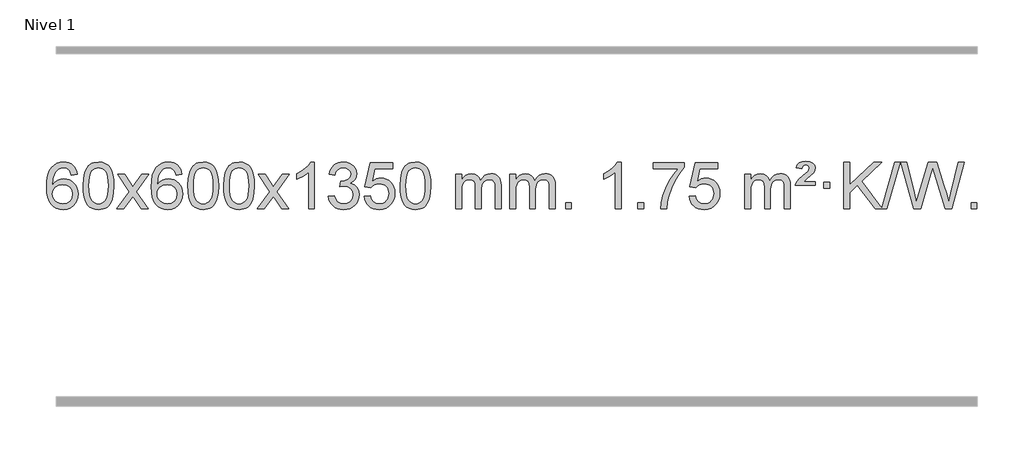
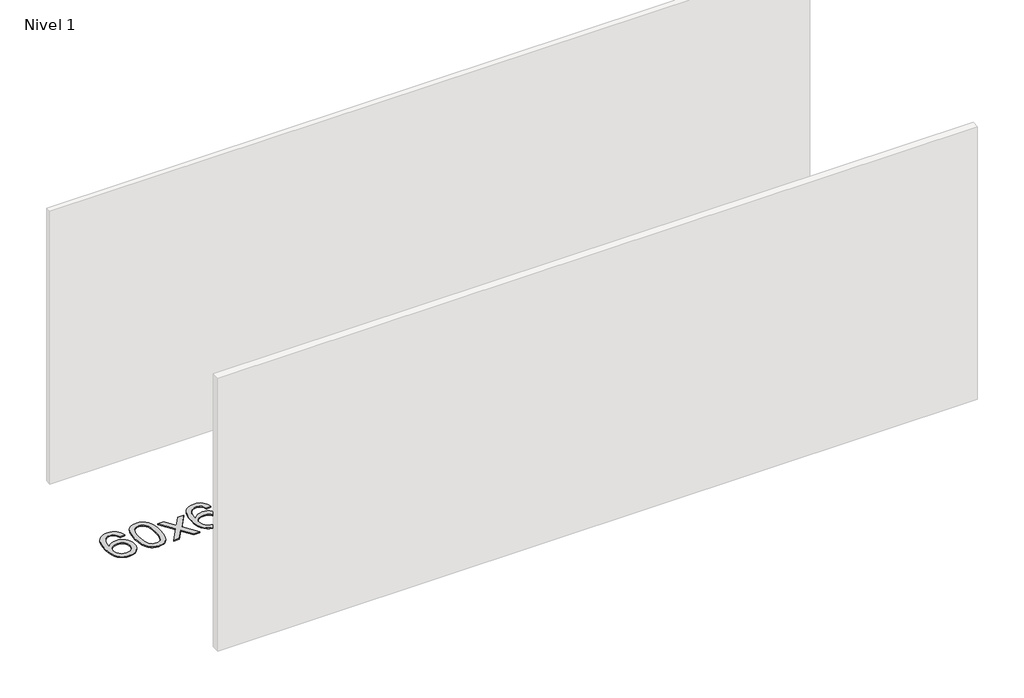
# One storey, part 8 of 10: 1 proxy.
"""IFC4 building model written with IfcOpenShell, lengths in millimetres."""

from ifc_helpers import new_model, si_unit, origin, origin_with_axes, place, context, project, spatial, polyline, outline, extrude, element, save

model = new_model("IFC4")

# Units and contexts
model_context = context("Model", 3, world=origin())
ifc_project = project(units=[si_unit("LENGTHUNIT", "METRE", prefix="MILLI")], contexts=[model_context])

# Site, building, storey
site = spatial("IfcSite", under=ifc_project)
building = spatial("IfcBuilding", under=site)
storey = spatial("IfcBuildingStorey", under=building, Name="Nivel 1", Elevation=0.0)

# Proxy
placement = place(None, origin())
element("IfcBuildingElementProxy", 1, Name="Texto de modelo 1", ObjectType="Texto de modelo 1", at=placement, inside=storey, context=model_context, shape_type="SweptSolid", body=[
    extrude(outline(polyline([(-6352.5741406, -3100.4890419), (-6402.8022957, -3106.7675613), (-6410.8956996, -3081.874213), (-6421.8340576, -3064.8780648), (-6444.6182158, -3049.2062918), (-6472.1603145, -3043.9823675), (-6495.5085585, -3047.0235253), (-6517.4833763, -3056.1469988), (-6536.3557227, -3075.3627017), (-6551.7699783, -3101.8134171), (-6562.1810387, -3139.227016), (-6566.0437997, -3191.3313693), (-6545.8961291, -3167.8237098), (-6521.7508075, -3151.2567573), (-6494.9567355, -3141.434308), (-6466.8628138, -3138.1601582), (-6442.7297549, -3140.398107), (-6420.4606315, -3147.1119534), (-6400.0554435, -3158.3016975), (-6381.5141909, -3173.9673391), (-6366.1060667, -3193.1769106), (-6355.1002637, -3214.9984443), (-6348.4967818, -3239.4319401), (-6346.2956212, -3266.4773982), (-6350.440425, -3302.4439945), (-6362.8748365, -3335.786366), (-6382.568786, -3364.0642287), (-6408.4922039, -3384.8372987), (-6439.4678679, -3397.602804), (-6474.3185556, -3401.8579724), (-6504.2610843, -3399.0375437), (-6531.3034766, -3390.5762579), (-6555.4457325, -3376.4741147), (-6576.6878521, -3356.7311143), (-6594.005897, -3330.5133908), (-6606.3759291, -3296.9870783), (-6613.7979483, -3256.1521768), (-6616.2719548, -3208.0086864), (-6613.5251025, -3154.0342663), (-6605.2845458, -3107.9693092), (-6591.5502847, -3069.8138149), (-6572.3223191, -3039.5677835), (-6551.481804, -3019.5243462), (-6527.3180883, -3005.2076052), (-6499.8311719, -2996.6175606), (-6469.0210548, -2993.7542124), (-6445.8874087, -2995.5261773), (-6424.9487918, -3000.8420722), (-6406.2052042, -3009.7018969), (-6389.6566457, -3022.1056515), (-6375.7507063, -3037.6364031), (-6364.9349757, -3055.8772186), (-6357.2094538, -3076.8280983), (-6352.5741406, -3100.4890419)]), holes=[polyline([(-6566.0437997, -3265.6925832), (-6563.1375319, -3287.9494439), (-6554.4187286, -3309.2007605), (-6540.8806712, -3327.472233), (-6523.516641, -3340.7895612), (-6502.5596301, -3348.9197533), (-6478.2426302, -3351.6298173), (-6445.0964624, -3346.0134855), (-6431.1813259, -3338.9930708), (-6419.0381544, -3329.1644901), (-6409.188114, -3316.9262824), (-6402.1523708, -3302.6769865), (-6396.5237763, -3268.1451299), (-6402.0787944, -3234.9989621), (-6409.0225671, -3221.3781312), (-6418.7438488, -3209.725469), (-6430.9238085, -3200.3904634), (-6445.2436152, -3193.7226022), (-6480.3027693, -3188.3883133), (-6513.3998862, -3193.7226022), (-6541.0768749, -3209.725469), (-6551.9999045, -3221.2248471), (-6559.8020685, -3234.3858254), (-6564.4833669, -3249.2084042), (-6566.0437997, -3265.6925832)])]), origin_with_axes(), (0.0, 0.0, 1.0), 10.0),
    extrude(outline(polyline([(-6302.3459855, -3197.9041943), (-6298.6549029, -3133.5861588), (-6287.5816548, -3082.2911459), (-6269.236606, -3043.2343407), (-6257.378543, -3028.0009605), (-6243.730121, -3015.6309284), (-6228.2453547, -3006.0598651), (-6210.8782588, -2999.2233914), (-6170.4970785, -2993.7542124), (-6139.5459399, -2996.991574), (-6111.832163, -3006.7036586), (-6088.6555973, -3022.5103217), (-6071.3160926, -3044.0314184), (-6058.2194935, -3071.0830078), (-6047.7716449, -3103.4811488), (-6040.9290398, -3144.6226186), (-6038.6481714, -3197.9041943), (-6042.3024659, -3261.8543477), (-6053.2653493, -3313.0267333), (-6071.5000336, -3352.1203266), (-6083.3305054, -3367.3996922), (-6096.9697304, -3379.8341036), (-6112.4728908, -3389.4695462), (-6129.8951689, -3396.3520052), (-6170.4970785, -3401.8579724), (-6198.1618045, -3399.4667394), (-6222.6872709, -3392.2930405), (-6244.0734775, -3380.3368757), (-6262.3204245, -3363.5982449), (-6279.8316074, -3333.3399508), (-6292.3395953, -3295.6381776), (-6299.844388, -3250.4929255), (-6302.3459855, -3197.9041943)]), holes=[polyline([(-6252.1178305, -3197.8060924), (-6250.6463025, -3241.4706195), (-6246.2317185, -3276.8148822), (-6238.8740786, -3303.8388804), (-6228.5733828, -3322.5426142), (-6216.1144459, -3335.2682656), (-6202.2820829, -3344.3580165), (-6187.0762937, -3349.8118671), (-6170.4970785, -3351.6298173), (-6153.9178632, -3349.8057357), (-6138.7120741, -3344.3334911), (-6124.8797111, -3335.2130833), (-6112.4207742, -3322.4445124), (-6102.1200783, -3303.7101217), (-6094.7624384, -3276.6922549), (-6090.3478545, -3241.3909118), (-6088.8763265, -3197.8060924), (-6090.2988035, -3155.2973278), (-6094.5662347, -3120.5753989), (-6101.6786199, -3093.6403055), (-6111.6359592, -3074.4920476), (-6123.8864297, -3061.1440625), (-6137.8782082, -3051.6097875), (-6153.6112949, -3045.8892225), (-6171.0856897, -3043.9823675), (-6187.5790658, -3045.6623619), (-6202.5273375, -3050.7023452), (-6215.9305049, -3059.1023175), (-6227.7885679, -3070.8622786), (-6238.4326203, -3091.708925), (-6246.0355148, -3119.8151094), (-6250.5972516, -3155.1808319), (-6252.1178305, -3197.8060924)])]), origin_with_axes(), (0.0, 0.0, 1.0), 10.0),
    extrude(outline(polyline([(-6013.5340939, -3395.579453), (-5906.2106531, -3247.2494325), (-6007.2555745, -3100.4890419), (-5946.8248254, -3100.4890419), (-5898.0681983, -3171.122385), (-5875.3085655, -3204.4770192), (-5855.5900906, -3177.2047007), (-5800.0644348, -3100.4890419), (-5739.6336857, -3100.4890419), (-5845.7799041, -3247.2494325), (-5743.5577603, -3395.579453), (-5803.9885094, -3395.579453), (-5865.498379, -3306.4048574), (-5876.7800935, -3290.1199477), (-5953.1033448, -3395.579453), (-6013.5340939, -3395.579453)])), origin_with_axes(), (0.0, 0.0, 1.0), 10.0),
    extrude(outline(polyline([(-5454.7458687, -3100.4890419), (-5504.9740237, -3106.7675613), (-5513.0674276, -3081.874213), (-5524.0057856, -3064.8780648), (-5546.7899439, -3049.2062918), (-5574.3320426, -3043.9823675), (-5597.6802865, -3047.0235253), (-5619.6551044, -3056.1469988), (-5638.5274507, -3075.3627017), (-5653.9417063, -3101.8134171), (-5664.3527668, -3139.227016), (-5668.2155277, -3191.3313693), (-5648.0678571, -3167.8237098), (-5623.9225355, -3151.2567573), (-5597.1284635, -3141.434308), (-5569.0345418, -3138.1601582), (-5544.9014829, -3140.398107), (-5522.6323595, -3147.1119534), (-5502.2271715, -3158.3016975), (-5483.6859189, -3173.9673391), (-5468.2777947, -3193.1769106), (-5457.2719917, -3214.9984443), (-5450.6685099, -3239.4319401), (-5448.4673493, -3266.4773982), (-5452.6121531, -3302.4439945), (-5465.0465645, -3335.786366), (-5484.740514, -3364.0642287), (-5510.6639319, -3384.8372987), (-5541.6395959, -3397.602804), (-5576.4902836, -3401.8579724), (-5606.4328123, -3399.0375437), (-5633.4752046, -3390.5762579), (-5657.6174606, -3376.4741147), (-5678.8595801, -3356.7311143), (-5696.177625, -3330.5133908), (-5708.5476571, -3296.9870783), (-5715.9696764, -3256.1521768), (-5718.4436828, -3208.0086864), (-5715.6968306, -3154.0342663), (-5707.4562739, -3107.9693092), (-5693.7220127, -3069.8138149), (-5674.4940471, -3039.5677835), (-5653.6535321, -3019.5243462), (-5629.4898164, -3005.2076052), (-5602.0029, -2996.6175606), (-5571.1927829, -2993.7542124), (-5548.0591367, -2995.5261773), (-5527.1205198, -3000.8420722), (-5508.3769322, -3009.7018969), (-5491.8283738, -3022.1056515), (-5477.9224344, -3037.6364031), (-5467.1067037, -3055.8772186), (-5459.3811818, -3076.8280983), (-5454.7458687, -3100.4890419)]), holes=[polyline([(-5668.2155277, -3265.6925832), (-5665.30926, -3287.9494439), (-5656.5904567, -3309.2007605), (-5643.0523993, -3327.472233), (-5625.6883691, -3340.7895612), (-5604.7313581, -3348.9197533), (-5580.4143582, -3351.6298173), (-5547.2681904, -3346.0134855), (-5533.353054, -3338.9930708), (-5521.2098825, -3329.1644901), (-5511.359842, -3316.9262824), (-5504.3240989, -3302.6769865), (-5498.6955043, -3268.1451299), (-5504.2505225, -3234.9989621), (-5511.1942951, -3221.3781312), (-5520.9155769, -3209.725469), (-5533.0955366, -3200.3904634), (-5547.4153432, -3193.7226022), (-5582.4744974, -3188.3883133), (-5615.5716142, -3193.7226022), (-5643.248603, -3209.725469), (-5654.1716326, -3221.2248471), (-5661.9737965, -3234.3858254), (-5666.6550949, -3249.2084042), (-5668.2155277, -3265.6925832)])]), origin_with_axes(), (0.0, 0.0, 1.0), 10.0),
    extrude(outline(polyline([(-5404.5177136, -3197.9041943), (-5400.8266309, -3133.5861588), (-5389.7533828, -3082.2911459), (-5371.408334, -3043.2343407), (-5359.550271, -3028.0009605), (-5345.901849, -3015.6309284), (-5330.4170827, -3006.0598651), (-5313.0499869, -2999.2233914), (-5272.6688065, -2993.7542124), (-5241.717668, -2996.991574), (-5214.003891, -3006.7036586), (-5190.8273253, -3022.5103217), (-5173.4878206, -3044.0314184), (-5160.3912216, -3071.0830078), (-5149.9433729, -3103.4811488), (-5143.1007678, -3144.6226186), (-5140.8198994, -3197.9041943), (-5144.4741939, -3261.8543477), (-5155.4370774, -3313.0267333), (-5173.6717616, -3352.1203266), (-5185.5022334, -3367.3996922), (-5199.1414584, -3379.8341036), (-5214.6446188, -3389.4695462), (-5232.066897, -3396.3520052), (-5272.6688065, -3401.8579724), (-5300.3335326, -3399.4667394), (-5324.8589989, -3392.2930405), (-5346.2452055, -3380.3368757), (-5364.4921525, -3363.5982449), (-5382.0033355, -3333.3399508), (-5394.5113233, -3295.6381776), (-5402.016116, -3250.4929255), (-5404.5177136, -3197.9041943)]), holes=[polyline([(-5354.2895585, -3197.8060924), (-5352.8180305, -3241.4706195), (-5348.4034466, -3276.8148822), (-5341.0458067, -3303.8388804), (-5330.7451108, -3322.5426142), (-5318.2861739, -3335.2682656), (-5304.4538109, -3344.3580165), (-5289.2480218, -3349.8118671), (-5272.6688065, -3351.6298173), (-5256.0895913, -3349.8057357), (-5240.8838021, -3344.3334911), (-5227.0514391, -3335.2130833), (-5214.5925022, -3322.4445124), (-5204.2918063, -3303.7101217), (-5196.9341664, -3276.6922549), (-5192.5195825, -3241.3909118), (-5191.0480545, -3197.8060924), (-5192.4705316, -3155.2973278), (-5196.7379627, -3120.5753989), (-5203.8503479, -3093.6403055), (-5213.8076873, -3074.4920476), (-5226.0581577, -3061.1440625), (-5240.0499363, -3051.6097875), (-5255.7830229, -3045.8892225), (-5273.2574177, -3043.9823675), (-5289.7507938, -3045.6623619), (-5304.6990656, -3050.7023452), (-5318.1022329, -3059.1023175), (-5329.9602959, -3070.8622786), (-5340.6043483, -3091.708925), (-5348.2072429, -3119.8151094), (-5352.7689796, -3155.1808319), (-5354.2895585, -3197.8060924)])]), origin_with_axes(), (0.0, 0.0, 1.0), 10.0),
    extrude(outline(polyline([(-5096.8702638, -3197.9041943), (-5093.1791811, -3133.5861588), (-5082.105933, -3082.2911459), (-5063.7608842, -3043.2343407), (-5051.9028212, -3028.0009605), (-5038.2543992, -3015.6309284), (-5022.7696329, -3006.0598651), (-5005.402537, -2999.2233914), (-4965.0213567, -2993.7542124), (-4934.0702182, -2996.991574), (-4906.3564412, -3006.7036586), (-4883.1798755, -3022.5103217), (-4865.8403708, -3044.0314184), (-4852.7437718, -3071.0830078), (-4842.2959231, -3103.4811488), (-4835.453318, -3144.6226186), (-4833.1724496, -3197.9041943), (-4836.8267441, -3261.8543477), (-4847.7896275, -3313.0267333), (-4866.0243118, -3352.1203266), (-4877.8547836, -3367.3996922), (-4891.4940086, -3379.8341036), (-4906.997169, -3389.4695462), (-4924.4194471, -3396.3520052), (-4965.0213567, -3401.8579724), (-4992.6860827, -3399.4667394), (-5017.2115491, -3392.2930405), (-5038.5977557, -3380.3368757), (-5056.8447027, -3363.5982449), (-5074.3558856, -3333.3399508), (-5086.8638735, -3295.6381776), (-5094.3686662, -3250.4929255), (-5096.8702638, -3197.9041943)]), holes=[polyline([(-5046.6421087, -3197.8060924), (-5045.1705807, -3241.4706195), (-5040.7559968, -3276.8148822), (-5033.3983568, -3303.8388804), (-5023.097661, -3322.5426142), (-5010.6387241, -3335.2682656), (-4996.8063611, -3344.3580165), (-4981.6005719, -3349.8118671), (-4965.0213567, -3351.6298173), (-4948.4421414, -3349.8057357), (-4933.2363523, -3344.3334911), (-4919.4039893, -3335.2130833), (-4906.9450524, -3322.4445124), (-4896.6443565, -3303.7101217), (-4889.2867166, -3276.6922549), (-4884.8721327, -3241.3909118), (-4883.4006047, -3197.8060924), (-4884.8230817, -3155.2973278), (-4889.0905129, -3120.5753989), (-4896.2028981, -3093.6403055), (-4906.1602375, -3074.4920476), (-4918.4107079, -3061.1440625), (-4932.4024864, -3051.6097875), (-4948.1355731, -3045.8892225), (-4965.6099679, -3043.9823675), (-4982.103344, -3045.6623619), (-4997.0516157, -3050.7023452), (-5010.4547831, -3059.1023175), (-5022.3128461, -3070.8622786), (-5032.9568985, -3091.708925), (-5040.559793, -3119.8151094), (-5045.1215298, -3155.1808319), (-5046.6421087, -3197.8060924)])]), origin_with_axes(), (0.0, 0.0, 1.0), 10.0),
    extrude(outline(polyline([(-4808.0583721, -3395.579453), (-4700.7349313, -3247.2494325), (-4801.7798527, -3100.4890419), (-4741.3491036, -3100.4890419), (-4692.5924765, -3171.122385), (-4669.8328437, -3204.4770192), (-4650.1143688, -3177.2047007), (-4594.588713, -3100.4890419), (-4534.1579639, -3100.4890419), (-4640.3041823, -3247.2494325), (-4538.0820385, -3395.579453), (-4598.5127876, -3395.579453), (-4660.0226572, -3306.4048574), (-4671.3043717, -3290.1199477), (-4747.627623, -3395.579453), (-4808.0583721, -3395.579453)])), origin_with_axes(), (0.0, 0.0, 1.0), 10.0),
    extrude(outline(polyline([(-4318.3338601, -3395.579453), (-4368.5620152, -3395.579453), (-4368.5620152, -3082.4382987), (-4389.5312889, -3099.3976587), (-4416.1414199, -3116.3324932), (-4469.0183253, -3141.6918254), (-4469.0183253, -3094.2105225), (-4429.5691127, -3072.7507395), (-4395.3928753, -3047.219729), (-4368.4516506, -3020.0700378), (-4350.7074757, -2993.7542124), (-4318.3338601, -2993.7542124), (-4318.3338601, -3395.579453)])), origin_with_axes(), (0.0, 0.0, 1.0), 10.0),
    extrude(outline(polyline([(-4199.0419918, -3288.8446235), (-4148.8138367, -3282.5661041), (-4137.5689104, -3314.1303793), (-4121.1000597, -3335.4430095), (-4098.5979444, -3347.5831154), (-4069.2532239, -3351.6298173), (-4034.8194691, -3346.0625364), (-4020.5456477, -3339.1034354), (-4008.2338636, -3329.3606939), (-3991.2377154, -3304.4428201), (-3985.5723327, -3274.2274455), (-3991.1886645, -3245.5449126), (-4008.0376599, -3222.2825078), (-4033.5441449, -3206.8682522), (-4065.1329455, -3201.730167), (-4100.3515152, -3207.2238715), (-4094.7597089, -3156.9957164), (-4086.7153559, -3157.5843276), (-4056.6226087, -3153.979084), (-4029.7181721, -3143.1633534), (-4018.6449241, -3134.9841103), (-4010.7354612, -3124.8673555), (-4005.9897835, -3112.8130888), (-4004.4078909, -3098.8213102), (-4008.9941531, -3077.1285352), (-4022.7529397, -3059.5315131), (-4043.7467389, -3047.8696539), (-4070.0380388, -3043.9823675), (-4096.3783897, -3047.9064421), (-4117.9117491, -3059.6786659), (-4133.632573, -3079.299039), (-4142.5353173, -3106.7675613), (-4192.7634724, -3100.4890419), (-4186.8099154, -3076.5092672), (-4177.9746162, -3055.3867093), (-4166.2575747, -3037.1213683), (-4151.6587908, -3021.713244), (-4134.6381172, -3009.4811677), (-4115.6554062, -3000.7439703), (-4094.710658, -2995.5016519), (-4071.8038724, -2993.7542124), (-4040.2273345, -2997.2000404), (-4011.2259705, -3007.5375245), (-3986.7740806, -3023.8469596), (-3968.8459647, -3045.2086408), (-3957.846293, -3069.8199463), (-3954.1797358, -3095.8782543), (-3957.662352, -3120.1584659), (-3968.1102007, -3142.1823347), (-3985.376129, -3160.9443165), (-4009.3129841, -3175.4388671), (-3977.8713363, -3188.1430586), (-3954.5721433, -3209.77452), (-3940.151169, -3239.1560286), (-3935.3441776, -3275.1103623), (-3937.7476733, -3300.5923218), (-3944.9581605, -3324.0631931), (-3956.975639, -3345.5229762), (-3973.8001089, -3364.971671), (-3994.2972674, -3381.1094278), (-4017.3328116, -3392.636397), (-4042.9067417, -3399.5525785), (-4071.0190575, -3401.8579724), (-4096.4274406, -3399.8898037), (-4119.5794808, -3393.9852977), (-4140.4751782, -3384.1444543), (-4159.1145326, -3370.3672736), (-4174.743386, -3353.4630959), (-4186.6075804, -3334.2412617), (-4194.7071156, -3312.7017708), (-4199.0419918, -3288.8446235)])), origin_with_axes(), (0.0, 0.0, 1.0), 10.0),
    extrude(outline(polyline([(-3891.394542, -3288.8446235), (-3841.1663869, -3282.5661041), (-3831.9448115, -3312.7201649), (-3815.8561056, -3334.3148381), (-3792.9738455, -3347.3010725), (-3763.3716076, -3351.6298173), (-3744.2417439, -3350.1245668), (-3727.368223, -3345.6088153), (-3712.7510451, -3338.0825628), (-3700.3902101, -3327.5458094), (-3690.5616294, -3314.519721), (-3683.5412147, -3299.5254641), (-3677.9248829, -3263.6324441), (-3683.1855954, -3229.8363514), (-3689.7614861, -3215.9181493), (-3698.967733, -3203.9865099), (-3710.834993, -3194.4154467), (-3725.393923, -3187.5789729), (-3762.5867927, -3182.1097939), (-3786.9528435, -3184.2925604), (-3806.6835812, -3190.8408599), (-3822.4411933, -3200.8717757), (-3834.8878675, -3213.5023908), (-3885.1160226, -3207.2238715), (-3841.1663869, -3000.0327318), (-3646.532286, -3000.0327318), (-3646.532286, -3050.2608869), (-3800.5522146, -3050.2608869), (-3822.0365231, -3160.919791), (-3804.3107423, -3148.2155994), (-3786.1557659, -3139.1411769), (-3767.5715937, -3133.6965234), (-3748.558226, -3131.8816388), (-3724.097139, -3134.1318504), (-3701.6287461, -3140.882485), (-3681.1530474, -3152.1335427), (-3662.6700428, -3167.8850234), (-3647.3692175, -3187.1743027), (-3636.4400566, -3209.038756), (-3629.88256, -3233.4783832), (-3627.6967278, -3260.4931844), (-3629.6648965, -3286.5147042), (-3635.5694025, -3310.7213394), (-3645.4102459, -3333.1130902), (-3659.1874266, -3353.6899565), (-3680.0585985, -3374.7634634), (-3704.4123865, -3389.8159684), (-3732.2487908, -3398.8474714), (-3763.5678114, -3401.8579724), (-3789.4881636, -3399.9235262), (-3812.9007869, -3394.1201877), (-3833.8056813, -3384.447957), (-3852.2028467, -3370.9068338), (-3867.5098034, -3354.1712688), (-3879.1440715, -3334.915712), (-3887.105651, -3313.1401636), (-3891.394542, -3288.8446235)])), origin_with_axes(), (0.0, 0.0, 1.0), 10.0),
    extrude(outline(polyline([(-3583.7470921, -3197.9041943), (-3580.0560094, -3133.5861588), (-3568.9827614, -3082.2911459), (-3550.6377126, -3043.2343407), (-3538.7796496, -3028.0009605), (-3525.1312276, -3015.6309284), (-3509.6464612, -3006.0598651), (-3492.2793654, -2999.2233914), (-3451.8981851, -2993.7542124), (-3420.9470465, -2996.991574), (-3393.2332696, -3006.7036586), (-3370.0567039, -3022.5103217), (-3352.7171992, -3044.0314184), (-3339.6206001, -3071.0830078), (-3329.1727515, -3103.4811488), (-3322.3301463, -3144.6226186), (-3320.049278, -3197.9041943), (-3323.7035725, -3261.8543477), (-3334.6664559, -3313.0267333), (-3352.9011401, -3352.1203266), (-3364.731612, -3367.3996922), (-3378.3708369, -3379.8341036), (-3393.8739974, -3389.4695462), (-3411.2962755, -3396.3520052), (-3451.8981851, -3401.8579724), (-3479.5629111, -3399.4667394), (-3504.0883774, -3392.2930405), (-3525.4745841, -3380.3368757), (-3543.721531, -3363.5982449), (-3561.232714, -3333.3399508), (-3573.7407019, -3295.6381776), (-3581.2454946, -3250.4929255), (-3583.7470921, -3197.9041943)]), holes=[polyline([(-3533.518937, -3197.8060924), (-3532.0474091, -3241.4706195), (-3527.6328251, -3276.8148822), (-3520.2751852, -3303.8388804), (-3509.9744894, -3322.5426142), (-3497.5155525, -3335.2682656), (-3483.6831894, -3344.3580165), (-3468.4774003, -3349.8118671), (-3451.8981851, -3351.6298173), (-3435.3189698, -3349.8057357), (-3420.1131807, -3344.3334911), (-3406.2808176, -3335.2130833), (-3393.8218807, -3322.4445124), (-3383.5211849, -3303.7101217), (-3376.163545, -3276.6922549), (-3371.748961, -3241.3909118), (-3370.2774331, -3197.8060924), (-3371.6999101, -3155.2973278), (-3375.9673412, -3120.5753989), (-3383.0797265, -3093.6403055), (-3393.0370658, -3074.4920476), (-3405.2875363, -3061.1440625), (-3419.2793148, -3051.6097875), (-3435.0124015, -3045.8892225), (-3452.4867962, -3043.9823675), (-3468.9801724, -3045.6623619), (-3483.9284441, -3050.7023452), (-3497.3316115, -3059.1023175), (-3509.1896744, -3070.8622786), (-3519.8337268, -3091.708925), (-3527.4366214, -3119.8151094), (-3531.9983581, -3155.1808319), (-3533.518937, -3197.8060924)])]), origin_with_axes(), (0.0, 0.0, 1.0), 10.0),
    extrude(outline(polyline([(-3106.5796189, -3395.579453), (-3106.5796189, -3100.4890419), (-3056.3514638, -3100.4890419), (-3056.3514638, -3149.0494653), (-3041.2437766, -3126.7435537), (-3021.8196072, -3109.2691589), (-2998.7411434, -3097.9751816), (-2972.6705727, -3094.2105225), (-2944.7360665, -3098.048758), (-2922.3443157, -3109.5634645), (-2905.6179477, -3127.9943524), (-2894.6795897, -3152.5811324), (-2876.3713291, -3127.0439906), (-2855.4878945, -3108.803175), (-2832.0292859, -3097.8586857), (-2805.9955034, -3094.2105225), (-2785.8876867, -3095.7280358), (-2768.2385479, -3100.2805755), (-2753.0480872, -3107.8681416), (-2740.3163045, -3118.4907342), (-2730.2516663, -3132.2709806), (-2723.0626389, -3149.3315082), (-2718.7492225, -3169.6723168), (-2717.3114171, -3193.2934066), (-2717.3114171, -3395.579453), (-2767.5395722, -3395.579453), (-2767.5395722, -3214.875817), (-2768.7045318, -3189.8230531), (-2772.1994108, -3172.9372695), (-2778.7477103, -3161.3735121), (-2789.0729316, -3152.2868268), (-2802.3534716, -3146.4007149), (-2817.7677272, -3144.4386776), (-2844.9787321, -3149.4663982), (-2867.1620165, -3164.54956), (-2875.7673895, -3176.1194488), (-2881.9140845, -3190.7182326), (-2886.8314405, -3229.0024856), (-2886.8314405, -3395.579453), (-2937.0595955, -3395.579453), (-2937.0595955, -3209.2840106), (-2939.9658633, -3180.8835206), (-2948.6846666, -3160.6254854), (-2964.0253458, -3148.4853796), (-2986.7972413, -3144.4386776), (-3006.1478342, -3147.1364789), (-3023.9778483, -3155.2298828), (-3038.6931281, -3168.5226856), (-3048.6995183, -3186.8186835), (-3054.4384775, -3212.2025411), (-3056.3514638, -3246.7589232), (-3056.3514638, -3395.579453), (-3106.5796189, -3395.579453)])), origin_with_axes(), (0.0, 0.0, 1.0), 10.0),
    extrude(outline(polyline([(-2641.9691845, -3395.579453), (-2641.9691845, -3100.4890419), (-2591.7410294, -3100.4890419), (-2591.7410294, -3149.0494653), (-2576.6333421, -3126.7435537), (-2557.2091728, -3109.2691589), (-2534.130709, -3097.9751816), (-2508.0601382, -3094.2105225), (-2480.1256321, -3098.048758), (-2457.7338813, -3109.5634645), (-2441.0075132, -3127.9943524), (-2430.0691552, -3152.5811324), (-2411.7608946, -3127.0439906), (-2390.87746, -3108.803175), (-2367.4188515, -3097.8586857), (-2341.3850689, -3094.2105225), (-2321.2772522, -3095.7280358), (-2303.6281135, -3100.2805755), (-2288.4376528, -3107.8681416), (-2275.7058701, -3118.4907342), (-2265.6412318, -3132.2709806), (-2258.4522045, -3149.3315082), (-2254.1387881, -3169.6723168), (-2252.7009826, -3193.2934066), (-2252.7009826, -3395.579453), (-2302.9291377, -3395.579453), (-2302.9291377, -3214.875817), (-2304.0940974, -3189.8230531), (-2307.5889763, -3172.9372695), (-2314.1372758, -3161.3735121), (-2324.4624972, -3152.2868268), (-2337.7430372, -3146.4007149), (-2353.1572928, -3144.4386776), (-2380.3682977, -3149.4663982), (-2402.551582, -3164.54956), (-2411.156955, -3176.1194488), (-2417.30365, -3190.7182326), (-2422.221006, -3229.0024856), (-2422.221006, -3395.579453), (-2472.4491611, -3395.579453), (-2472.4491611, -3209.2840106), (-2475.3554289, -3180.8835206), (-2484.0742321, -3160.6254854), (-2499.4149113, -3148.4853796), (-2522.1868068, -3144.4386776), (-2541.5373998, -3147.1364789), (-2559.3674138, -3155.2298828), (-2574.0826936, -3168.5226856), (-2584.0890839, -3186.8186835), (-2589.828043, -3212.2025411), (-2591.7410294, -3246.7589232), (-2591.7410294, -3395.579453), (-2641.9691845, -3395.579453)])), origin_with_axes(), (0.0, 0.0, 1.0), 10.0),
    extrude(outline(polyline([(-2164.8017113, -3395.579453), (-2164.8017113, -3345.3512979), (-2114.5735562, -3345.3512979), (-2114.5735562, -3395.579453), (-2164.8017113, -3395.579453)])), origin_with_axes(), (0.0, 0.0, 1.0), 10.0),
    extrude(outline(polyline([(-1687.634238, -3395.579453), (-1737.8623931, -3395.579453), (-1737.8623931, -3082.4382987), (-1758.8316668, -3099.3976587), (-1785.4417978, -3116.3324932), (-1838.3187033, -3141.6918254), (-1838.3187033, -3094.2105225), (-1798.8694907, -3072.7507395), (-1764.6932533, -3047.219729), (-1737.7520285, -3020.0700378), (-1720.0078536, -2993.7542124), (-1687.634238, -2993.7542124), (-1687.634238, -3395.579453)])), origin_with_axes(), (0.0, 0.0, 1.0), 10.0),
    extrude(outline(polyline([(-1543.2282922, -3395.579453), (-1543.2282922, -3345.3512979), (-1493.0001371, -3345.3512979), (-1493.0001371, -3395.579453), (-1543.2282922, -3395.579453)])), origin_with_axes(), (0.0, 0.0, 1.0), 10.0),
    extrude(outline(polyline([(-1411.3793851, -3050.2608869), (-1411.3793851, -3000.0327318), (-1147.681571, -3000.0327318), (-1147.681571, -3040.646904), (-1185.2668482, -3088.214046), (-1222.4842433, -3148.7061088), (-1255.3115801, -3216.6048623), (-1279.7266818, -3286.3920768), (-1291.6951094, -3338.6067947), (-1298.3660362, -3395.579453), (-1348.5941913, -3395.579453), (-1343.1618005, -3343.8061935), (-1328.6304617, -3282.2717985), (-1305.3925823, -3217.0463207), (-1273.8405699, -3154.1998132), (-1237.0033194, -3097.3865704), (-1197.9097261, -3050.2608869), (-1411.3793851, -3050.2608869)])), origin_with_axes(), (0.0, 0.0, 1.0), 10.0),
    extrude(outline(polyline([(-1103.7319353, -3288.8446235), (-1053.5037802, -3282.5661041), (-1044.2822049, -3312.7201649), (-1028.193499, -3334.3148381), (-1005.3112389, -3347.3010725), (-975.709001, -3351.6298173), (-956.5791372, -3350.1245668), (-939.7056164, -3345.6088153), (-925.0884384, -3338.0825628), (-912.7276034, -3327.5458094), (-902.8990228, -3314.519721), (-895.878608, -3299.5254641), (-890.2622762, -3263.6324441), (-895.5229888, -3229.8363514), (-902.0988794, -3215.9181493), (-911.3051264, -3203.9865099), (-923.1723864, -3194.4154467), (-937.7313163, -3187.5789729), (-974.9241861, -3182.1097939), (-999.2902369, -3184.2925604), (-1019.0209745, -3190.8408599), (-1034.7785867, -3200.8717757), (-1047.2252608, -3213.5023908), (-1097.4534159, -3207.2238715), (-1053.5037802, -3000.0327318), (-858.8696793, -3000.0327318), (-858.8696793, -3050.2608869), (-1012.889608, -3050.2608869), (-1034.3739165, -3160.919791), (-1016.6481357, -3148.2155994), (-998.4931592, -3139.1411769), (-979.9089871, -3133.6965234), (-960.8956193, -3131.8816388), (-936.4345323, -3134.1318504), (-913.9661395, -3140.882485), (-893.4904407, -3152.1335427), (-875.0074362, -3167.8850234), (-859.7066109, -3187.1743027), (-848.7774499, -3209.038756), (-842.2199533, -3233.4783832), (-840.0341212, -3260.4931844), (-842.0022898, -3286.5147042), (-847.9067959, -3310.7213394), (-857.7476392, -3333.1130902), (-871.5248199, -3353.6899565), (-892.3959918, -3374.7634634), (-916.7497799, -3389.8159684), (-944.5861842, -3398.8474714), (-975.9052047, -3401.8579724), (-1001.825557, -3399.9235262), (-1025.2381803, -3394.1201877), (-1046.1430746, -3384.447957), (-1064.5402401, -3370.9068338), (-1079.8471968, -3354.1712688), (-1091.4814649, -3334.915712), (-1099.4430444, -3313.1401636), (-1103.7319353, -3288.8446235)])), origin_with_axes(), (0.0, 0.0, 1.0), 10.0),
    extrude(outline(polyline([(-626.5644621, -3395.579453), (-626.5644621, -3100.4890419), (-576.336307, -3100.4890419), (-576.336307, -3149.0494653), (-561.2286197, -3126.7435537), (-541.8044504, -3109.2691589), (-518.7259866, -3097.9751816), (-492.6554158, -3094.2105225), (-464.7209097, -3098.048758), (-442.3291589, -3109.5634645), (-425.6027909, -3127.9943524), (-414.6644329, -3152.5811324), (-396.3561722, -3127.0439906), (-375.4727377, -3108.803175), (-352.0141291, -3097.8586857), (-325.9803466, -3094.2105225), (-305.8725298, -3095.7280358), (-288.2233911, -3100.2805755), (-273.0329304, -3107.8681416), (-260.3011477, -3118.4907342), (-250.2365094, -3132.2709806), (-243.0474821, -3149.3315082), (-238.7340657, -3169.6723168), (-237.2962603, -3193.2934066), (-237.2962603, -3395.579453), (-287.5244153, -3395.579453), (-287.5244153, -3214.875817), (-288.689375, -3189.8230531), (-292.1842539, -3172.9372695), (-298.7325535, -3161.3735121), (-309.0577748, -3152.2868268), (-322.3383148, -3146.4007149), (-337.7525704, -3144.4386776), (-364.9635753, -3149.4663982), (-387.1468596, -3164.54956), (-395.7522326, -3176.1194488), (-401.8989276, -3190.7182326), (-406.8162836, -3229.0024856), (-406.8162836, -3395.579453), (-457.0444387, -3395.579453), (-457.0444387, -3209.2840106), (-459.9507065, -3180.8835206), (-468.6695098, -3160.6254854), (-484.010189, -3148.4853796), (-506.7820845, -3144.4386776), (-526.1326774, -3147.1364789), (-543.9626914, -3155.2298828), (-558.6779713, -3168.5226856), (-568.6843615, -3186.8186835), (-574.4233206, -3212.2025411), (-576.336307, -3246.7589232), (-576.336307, -3395.579453), (-626.5644621, -3395.579453)])), origin_with_axes(), (0.0, 0.0, 1.0), 10.0),
    extrude(outline(polyline([(-193.3466246, -3194.6668327), (-189.5206518, -3178.8479069), (-181.1819933, -3162.9799302), (-159.6731593, -3137.8413272), (-127.7164766, -3110.1030247), (-83.5706372, -3072.726214), (-76.4337265, -3061.1992448), (-74.0547563, -3049.3779701), (-75.9432172, -3037.2869152), (-81.6085999, -3027.5012541), (-90.977328, -3021.026531), (-103.9758252, -3018.8682899), (-116.4102366, -3020.4869707), (-125.26393, -3025.343013), (-131.6896022, -3034.8098431), (-136.8399501, -3050.2608869), (-187.0681052, -3043.9823675), (-176.2278491, -3018.7701881), (-159.5995829, -3001.2099542), (-135.834406, -2990.9092583), (-103.5834178, -2987.475693), (-67.8007624, -2991.6082341), (-43.0545668, -3004.0058573), (-28.6335926, -3022.3386434), (-23.8266012, -3044.2766731), (-27.9223541, -3067.1834586), (-40.2096127, -3088.8149199), (-60.737428, -3108.6314968), (-97.2067965, -3136.6886303), (-122.8113834, -3163.2742358), (-23.8266012, -3163.2742358), (-23.8266012, -3194.6668327), (-193.3466246, -3194.6668327)])), origin_with_axes(), (0.0, 0.0, 1.0), 10.0),
    extrude(outline(polyline([(51.5156314, -3219.7809102), (51.5156314, -3169.5527552), (101.7437865, -3169.5527552), (101.7437865, -3219.7809102), (51.5156314, -3219.7809102)])), origin_with_axes(), (0.0, 0.0, 1.0), 10.0),
    extrude(outline(polyline([(492.3854144, -3395.579453), (338.954097, -3192.9009991), (271.2638099, -3257.4520265), (271.2638099, -3395.579453), (221.0356548, -3395.579453), (221.0356548, -2993.7542124), (271.2638099, -2993.7542124), (271.2638099, -3190.4484525), (477.2777272, -2993.7542124), (547.5186628, -2993.7542124), (374.5650741, -3158.9577537), (549.218684, -3389.5349332), (660.5320117, -2993.7542124), (705.8550735, -2993.7542124), (592.8417246, -3395.579453), (553.7971822, -3395.579453), (547.5186628, -3395.579453), (492.3854144, -3395.579453)])), origin_with_axes(), (0.0, 0.0, 1.0), 10.0),
    extrude(outline(polyline([(820.3399504, -3395.579453), (710.7601668, -2993.7542124), (762.5579517, -2993.7542124), (826.1279605, -3257.844434), (845.7483335, -3339.3670841), (866.7421327, -3267.2622131), (946.4008474, -2993.7542124), (1021.056367, -2993.7542124), (1078.9364675, -3192.0180823), (1103.731714, -3265.5944814), (1122.0031864, -3339.3670841), (1141.0349483, -3260.1988788), (1205.1935683, -2993.7542124), (1256.9913532, -2993.7542124), (1147.3134677, -3395.579453), (1093.6517474, -3395.579453), (997.3157155, -3085.5775584), (983.87576, -3042.3146358), (968.7680727, -3094.4067263), (880.9669032, -3395.579453), (820.3399504, -3395.579453)])), origin_with_axes(), (0.0, 0.0, 1.0), 10.0),
    extrude(outline(polyline([(1313.4980277, -3395.579453), (1313.4980277, -3345.3512979), (1363.7261827, -3345.3512979), (1363.7261827, -3395.579453), (1313.4980277, -3395.579453)])), origin_with_axes(), (0.0, 0.0, 1.0), 10.0),
])

save(model, "model.ifc")
